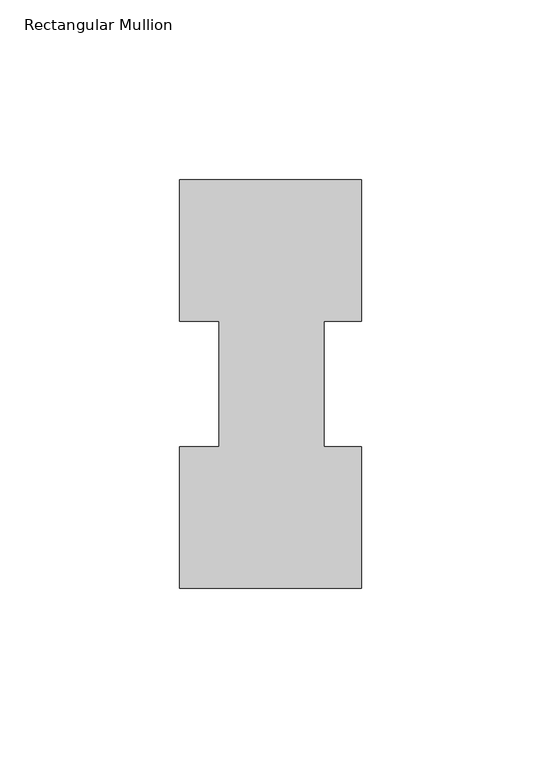
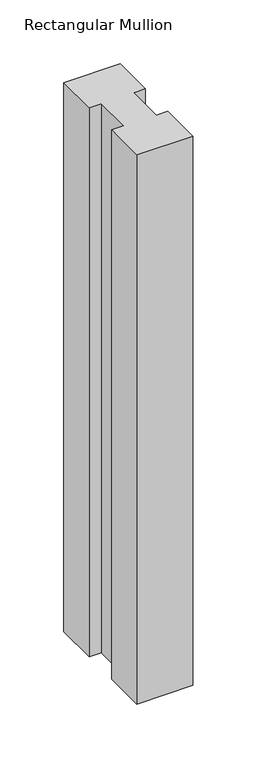
"""IFC4 building model written with IfcOpenShell, lengths in millimetres: member geometry, Rectangular Mullion."""

from ifc_helpers import new_model, si_unit, frame, origin, place, context, project, spatial, polyline, outline, extrude, source, transform, mapped, element, save


def rectangular_mullion_ea92d4a7(model_context):
    return source(origin(), model_context, "Body", "SweptSolid", [
        extrude(outline(polyline([(-50.8, 114.017425), (0.0, 114.017425), (0.0, 74.596625), (-10.5663987, 74.596625), (-10.5663987, 39.620825), (0.0, 39.620825), (0.0, 0.225425), (-50.8, 0.225425), (-50.8, 39.620825), (-39.6875, 39.620825), (-39.6875, 74.596625), (-50.8, 74.596625), (-50.8, 114.017425)])), frame((0.0, 0.0, -524.141733), z_axis=(0.0, 0.0, 1.0), x_axis=(1.0, 0.0, 0.0)), (0.0, 0.0, 1.0), 524.141733),
    ])


if __name__ == "__main__":
    model = new_model("IFC4")
    model_context = context("Model", 3, world=origin())
    ifc_project = project(units=[si_unit("LENGTHUNIT", "METRE", prefix="MILLI")], contexts=[model_context])
    site = spatial("IfcSite", under=ifc_project)
    building = spatial("IfcBuilding", under=site)
    placement = place(None, origin())
    rectangular_mullion_shape = rectangular_mullion_ea92d4a7(model_context)
    element("IfcMember", 1, ObjectType="Rectangular Mullion", at=placement, inside=building, context=model_context, shape_type="MappedRepresentation", body=[
        mapped(rectangular_mullion_shape, transform((0.0, 0.0, 0.0), x_axis=(1.0, 0.0, 0.0), y_axis=(0.0, 1.0, 0.0), z_axis=(0.0, 0.0, 1.0))),
    ])
    save(model, "model.ifc")
